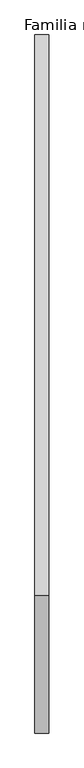
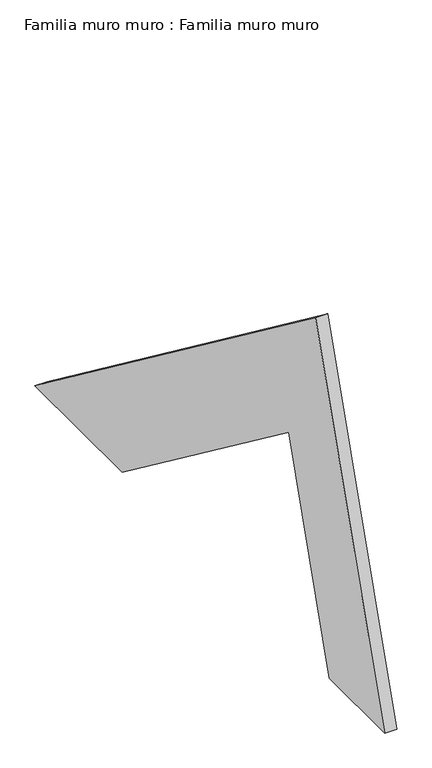
"""IFC4 building model written with IfcOpenShell, lengths in millimetres: plate geometry, Familia muro muro : Familia muro muro."""

from ifc_helpers import new_model, si_unit, frame, origin, place, context, project, spatial, polyline, outline, extrude, source, transform, mapped, element, save


def familia_muro_muro_familia_muro_muro_4b1731ed(model_context):
    return source(origin(), model_context, "Body", "SweptSolid", [
        extrude(outline(polyline([(-803.3131507, 605.3398782), (0.0, 0.0), (-249.2460212, 0.0), (-725.6385505, 358.9875199), (-842.2806664, 0.0), (-1000.0, 0.0), (-803.3131507, 605.3398782)])), frame((0.0, 0.0, 0.0), z_axis=(1.0, 0.0, 0.0), x_axis=(0.0, 1.0, 0.0)), (0.0, 0.0, 1.0), 20.0),
    ])


if __name__ == "__main__":
    model = new_model("IFC4")
    model_context = context("Model", 3, world=origin())
    ifc_project = project(units=[si_unit("LENGTHUNIT", "METRE", prefix="MILLI")], contexts=[model_context])
    site = spatial("IfcSite", under=ifc_project)
    building = spatial("IfcBuilding", under=site)
    placement = place(None, origin())
    familia_muro_muro_familia_muro_muro_shape = familia_muro_muro_familia_muro_muro_4b1731ed(model_context)
    element("IfcPlate", 1, ObjectType="Familia muro muro : Familia muro muro", at=placement, inside=building, context=model_context, shape_type="MappedRepresentation", body=[
        mapped(familia_muro_muro_familia_muro_muro_shape, transform((0.0, 0.0, 0.0), x_axis=(1.0, 0.0, 0.0), y_axis=(0.0, 1.0, 0.0), z_axis=(0.0, 0.0, 1.0))),
    ])
    save(model, "model.ifc")
